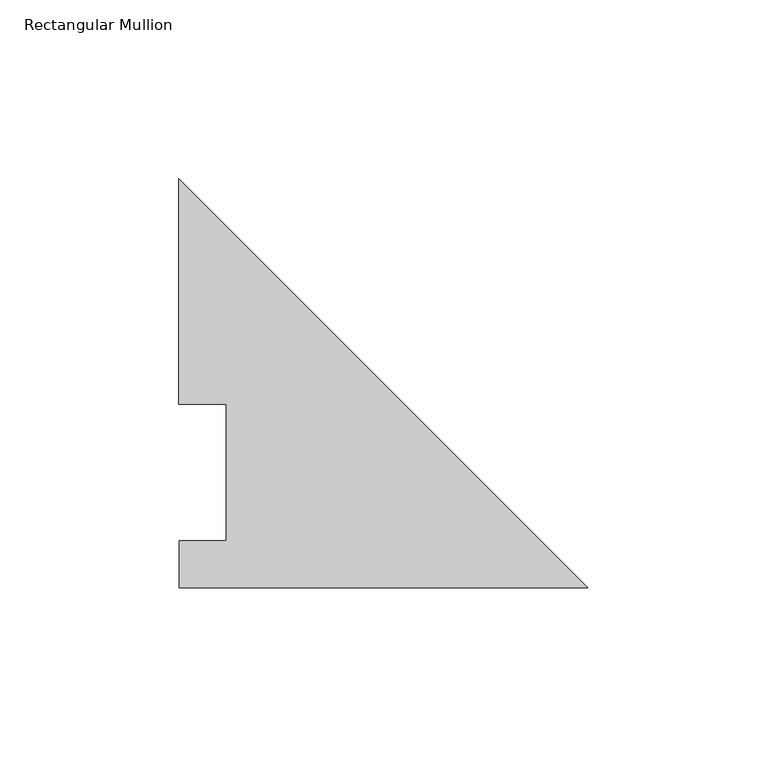
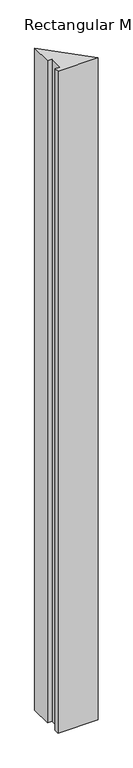
"""IFC4 building model written with IfcOpenShell, lengths in millimetres: member geometry, Rectangular Mullion."""

from ifc_helpers import new_model, si_unit, frame, origin, place, context, project, spatial, polyline, outline, extrude, source, transform, mapped, element, save


def rectangular_mullion_4ba8232e(model_context):
    return source(origin(), model_context, "Body", "SweptSolid", [
        extrude(outline(polyline([(0.0, -0.0132938), (-114.2653795, -0.0132938), (-114.2653795, 13.1960871), (-101.1208836, 13.1960871), (-101.1208836, 51.2960937), (-114.3217076, 51.2960937), (-114.3217076, 114.3084138), (0.0, -0.0132938)])), frame((0.0, 0.0, -1993.8631894), z_axis=(0.0, 0.0, 1.0), x_axis=(1.0, 0.0, 0.0)), (0.0, 0.0, 1.0), 1993.8631894),
    ])


if __name__ == "__main__":
    model = new_model("IFC4")
    model_context = context("Model", 3, world=origin())
    ifc_project = project(units=[si_unit("LENGTHUNIT", "METRE", prefix="MILLI")], contexts=[model_context])
    site = spatial("IfcSite", under=ifc_project)
    building = spatial("IfcBuilding", under=site)
    placement = place(None, origin())
    rectangular_mullion_shape = rectangular_mullion_4ba8232e(model_context)
    element("IfcMember", 1, ObjectType="Rectangular Mullion", at=placement, inside=building, context=model_context, shape_type="MappedRepresentation", body=[
        mapped(rectangular_mullion_shape, transform((0.0, 0.0, 0.0), x_axis=(1.0, 0.0, 0.0), y_axis=(0.0, 1.0, 0.0), z_axis=(0.0, 0.0, 1.0))),
    ])
    save(model, "model.ifc")
